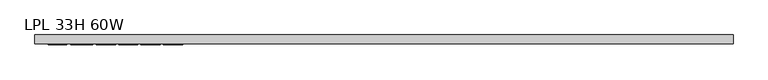
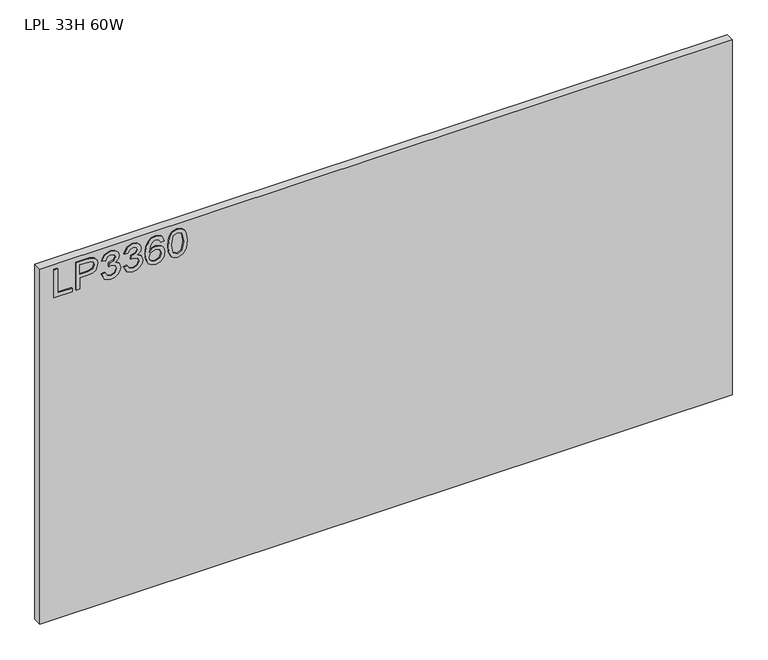
"""IFC4 building model written with IfcOpenShell, lengths in millimetres: furniture geometry, LPL 33H 60W."""

from ifc_helpers import new_model, si_unit, frame, origin, place, context, project, spatial, polyline, outline, extrude, source, transform, mapped, element, save


def lpl_33h_60w_256fa384(model_context):
    return source(origin(), model_context, "Body", "SweptSolid", [
        extrude(outline(polyline([(1766.8772502, 29.4553512), (1766.8772502, 69.3239493), (1774.8509698, 69.3239493), (1774.8509698, 37.4290708), (1830.6670071, 37.4290708), (1830.6670071, 29.4553512), (1766.8772502, 29.4553512)])), frame((0.0, -21.68525, 0.0), z_axis=(0.0, 1.0, 0.0), x_axis=(0.0, 0.0, 1.0)), (0.0, 0.0, 1.0), 2.38125),
        extrude(outline(polyline([(1766.8772502, 78.2943838), (1766.8772502, 86.2681034), (1792.791839, 86.2681034), (1792.791839, 102.4802951), (1794.2012562, 113.8081941), (1798.4295079, 121.0051769), (1812.2122069, 126.1367015), (1820.9101022, 124.2367137), (1827.0772759, 119.2142047), (1830.059634, 111.4663033), (1830.6670071, 101.9352166), (1830.6670071, 78.2943838), (1766.8772502, 78.2943838)]), holes=[polyline([(1800.7655586, 86.2681034), (1822.6932875, 86.2681034), (1822.6932875, 102.7606212), (1822.148209, 110.7343408), (1818.5351173, 116.1150442), (1811.9318808, 118.1629819), (1803.6934087, 114.6900533), (1800.7655586, 102.9475052), (1800.7655586, 86.2681034)])]), frame((0.0, -21.68525, 0.0), z_axis=(0.0, 1.0, 0.0), x_axis=(0.0, 0.0, 1.0)), (0.0, 0.0, 1.0), 2.38125),
        extrude(outline(polyline([(1783.8214044, 134.1104212), (1770.8796837, 140.4489053), (1765.8805352, 154.434062), (1767.3444603, 162.9567535), (1771.7362356, 169.8675701), (1778.2304565, 174.4462294), (1786.0017183, 175.9724491), (1796.3737833, 172.9200096), (1801.8245682, 164.2299011), (1807.1040427, 170.770843), (1814.4548155, 172.9823043), (1822.4986166, 170.6540405), (1828.4789063, 163.9262145), (1830.6670071, 154.3094726), (1826.2285109, 141.6325043), (1813.722853, 135.1071361), (1812.726138, 143.0808557), (1820.2015001, 146.9898472), (1822.6932875, 154.5897987), (1820.2248607, 162.0963082), (1813.9876054, 165.0085847), (1806.948306, 160.9905775), (1804.7524184, 150.6652336), (1796.7786988, 149.7775343), (1797.6508243, 155.3684822), (1794.3881402, 164.4323588), (1786.1418814, 167.9987295), (1777.3894782, 164.4012115), (1773.8542549, 154.7143881), (1776.4239106, 146.4837029), (1784.8181193, 142.0841408), (1783.8214044, 134.1104212)])), frame((0.0, -21.68525, 0.0), z_axis=(0.0, 1.0, 0.0), x_axis=(0.0, 0.0, 1.0)), (0.0, 0.0, 1.0), 2.38125),
        extrude(outline(polyline([(1783.8214044, 182.9494538), (1770.8796837, 189.287938), (1765.8805352, 203.2730946), (1767.3444603, 211.7957862), (1771.7362356, 218.7066027), (1778.2304565, 223.285262), (1786.0017183, 224.8114818), (1796.3737833, 221.7590423), (1801.8245682, 213.0689338), (1807.1040427, 219.6098756), (1814.4548155, 221.821337), (1822.4986166, 219.4930731), (1828.4789063, 212.7652472), (1830.6670071, 203.1485053), (1826.2285109, 190.471537), (1813.722853, 183.9461688), (1812.726138, 191.9198884), (1820.2015001, 195.8288798), (1822.6932875, 203.4288313), (1820.2248607, 210.9353408), (1813.9876054, 213.8476173), (1806.948306, 209.8296102), (1804.7524184, 199.5042662), (1796.7786988, 198.616567), (1797.6508243, 204.2075149), (1794.3881402, 213.2713915), (1786.1418814, 216.8377622), (1777.3894782, 213.2402442), (1773.8542549, 203.5534207), (1776.4239106, 195.3227355), (1784.8181193, 190.9231734), (1783.8214044, 182.9494538)])), frame((0.0, -21.68525, 0.0), z_axis=(0.0, 1.0, 0.0), x_axis=(0.0, 0.0, 1.0)), (0.0, 0.0, 1.0), 2.38125),
        extrude(outline(polyline([(1813.722853, 272.6537995), (1826.1662162, 266.7669518), (1830.6670071, 254.1678519), (1828.848781, 244.9131978), (1823.3941027, 237.7687762), (1812.5353605, 232.5360227), (1796.6541094, 230.7917715), (1782.5287897, 232.3627656), (1773.044424, 237.0757478), (1767.6715074, 244.2805174), (1765.8805352, 253.3268736), (1768.5825672, 263.776807), (1776.3694028, 271.018564), (1787.3722014, 273.6505145), (1795.5444853, 272.2527775), (1802.0581733, 268.0595665), (1807.7425632, 254.5104727), (1805.6634781, 245.7970037), (1799.3016335, 238.7654911), (1813.5126084, 241.0314603), (1820.7621523, 246.4744583), (1822.6932875, 253.6694944), (1819.3760956, 261.6587877), (1812.726138, 264.6800799), (1813.722853, 272.6537995)]), holes=[polyline([(1787.4967908, 238.7654911), (1796.3815702, 242.7289904), (1799.7688436, 252.3768797), (1796.3815702, 262.1493583), (1787.107449, 265.6767948), (1777.4206256, 262.1026373), (1773.8542549, 252.7039268), (1775.5751455, 245.5166776), (1780.5898676, 240.6109712), (1787.4967908, 238.7654911)])]), frame((0.0, -21.68525, 0.0), z_axis=(0.0, 1.0, 0.0), x_axis=(0.0, 0.0, 1.0)), (0.0, 0.0, 1.0), 2.38125),
        extrude(outline(polyline([(1798.2581975, 280.6275191), (1782.7429277, 282.2160336), (1771.954267, 286.981577), (1767.3989682, 293.2733401), (1765.8805352, 301.5585331), (1769.3768244, 313.2309996), (1779.9824945, 320.1690701), (1798.2581975, 322.4895471), (1813.247856, 321.0411957), (1822.6855007, 317.3035146), (1828.6112826, 310.8715885), (1830.6670071, 301.5585331), (1827.1940785, 289.9327876), (1816.6117689, 282.9713566), (1798.2581975, 280.6275191)]), holes=[polyline([(1798.2737712, 288.6012388), (1818.4261016, 292.4635092), (1822.6932875, 301.4650911), (1817.8498758, 310.9027358), (1798.2737712, 314.5158275), (1778.487422, 310.7781464), (1773.8542549, 301.5585331), (1778.4718484, 292.3389198), (1798.2737712, 288.6012388)])]), frame((0.0, -21.68525, 0.0), z_axis=(0.0, 1.0, 0.0), x_axis=(0.0, 0.0, 1.0)), (0.0, 0.0, 1.0), 2.38125),
        extrude(outline(polyline([(1524.0, 0.0), (1524.0, -19.304), (0.0, -19.304), (0.0, 0.0), (1524.0, 0.0)])), frame((0.0, 0.0, 1016.0), z_axis=(0.0, 0.0, 1.0), x_axis=(1.0, 0.0, 0.0)), (0.0, 0.0, 1.0), 825.5),
    ])


if __name__ == "__main__":
    model = new_model("IFC4")
    model_context = context("Model", 3, world=origin())
    ifc_project = project(units=[si_unit("LENGTHUNIT", "METRE", prefix="MILLI")], contexts=[model_context])
    site = spatial("IfcSite", under=ifc_project)
    building = spatial("IfcBuilding", under=site)
    placement = place(None, origin())
    lpl_33h_60w_shape = lpl_33h_60w_256fa384(model_context)
    element("IfcFurniture", 1, ObjectType="LPL 33H 60W", at=placement, inside=building, context=model_context, shape_type="MappedRepresentation", body=[
        mapped(lpl_33h_60w_shape, transform((0.0, 0.0, 0.0), x_axis=(1.0, 0.0, 0.0), y_axis=(0.0, 1.0, 0.0), z_axis=(0.0, 0.0, 1.0))),
    ])
    save(model, "model.ifc")
